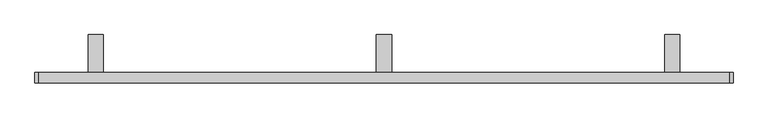
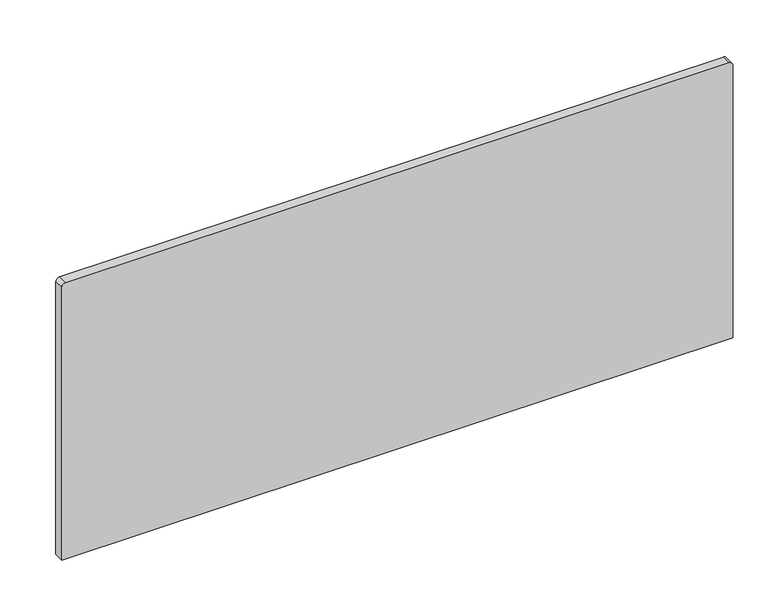
"""IFC4 building model written with IfcOpenShell, lengths in millimetres: furniture geometry."""

from ifc_helpers import new_model, si_unit, point, frame, frame_2d, origin, place, context, project, spatial, polyline, circle_curve, trimmed, segment, composite_curve, outline, extrude, source, transform, mapped, element, save


def furniture_59e62de1(model_context):
    return source(origin(), model_context, "Body", "SweptSolid", [
        extrude(outline(polyline([(11.1125, 706.4375), (90.4875, 706.4375), (90.4875, 700.0875), (17.4625, 700.0875), (17.4625, 654.05), (11.1125, 654.05), (11.1125, 706.4375)])), frame((-48.5395436, 0.0, 0.0), z_axis=(1.0, 0.0, 0.0), x_axis=(0.0, 1.0, 0.0)), (0.0, 0.0, 1.0), 31.75),
        extrude(outline(polyline([(11.1125, 706.4375), (90.4875, 706.4375), (90.4875, 700.0875), (17.4625, 700.0875), (17.4625, 654.05), (11.1125, 654.05), (11.1125, 706.4375)])), frame((-651.7895436, 0.0, 0.0), z_axis=(1.0, 0.0, 0.0), x_axis=(0.0, 1.0, 0.0)), (0.0, 0.0, 1.0), 31.75),
        extrude(outline(polyline([(11.1125, 706.4375), (90.4875, 706.4375), (90.4875, 700.0875), (17.4625, 700.0875), (17.4625, 654.05), (11.1125, 654.05), (11.1125, 706.4375)])), frame((554.7104564, 0.0, 0.0), z_axis=(1.0, 0.0, 0.0), x_axis=(0.0, 1.0, 0.0)), (0.0, 0.0, 1.0), 31.75),
        extrude(outline(composite_curve([segment(polyline([(1258.8875, 689.6479564), (1258.8875, -754.9770436)]), True, "CONTINUOUS"), segment(trimmed(circle_curve(frame_2d((1250.95, -754.9770436)), 7.9375), [point((1258.8875, -754.9770436))], [point((1250.95, -762.9145436))], False, "CARTESIAN"), True, "CONTINUOUS"), segment(polyline([(1250.95, -762.9145436), (623.8875, -762.9145436), (623.8875, 697.5854564), (1250.95, 697.5854564)]), True, "CONTINUOUS"), segment(trimmed(circle_curve(frame_2d((1250.95, 689.6479564)), 7.9375), [point((1250.95, 697.5854564))], [point((1258.8875, 689.6479564))], False, "CARTESIAN"), True, "CONTINUOUS")], self_intersect=False)), frame((0.0, -11.1125, 0.0), z_axis=(0.0, 1.0, 0.0), x_axis=(0.0, 0.0, 1.0)), (0.0, 0.0, 1.0), 22.225),
    ])


if __name__ == "__main__":
    model = new_model("IFC4")
    model_context = context("Model", 3, world=origin())
    ifc_project = project(units=[si_unit("LENGTHUNIT", "METRE", prefix="MILLI")], contexts=[model_context])
    site = spatial("IfcSite", under=ifc_project)
    building = spatial("IfcBuilding", under=site)
    placement = place(None, origin())
    furniture_shape = furniture_59e62de1(model_context)
    element("IfcFurniture", 1, at=placement, inside=building, context=model_context, shape_type="MappedRepresentation", body=[
        mapped(furniture_shape, transform((0.0, 0.0, 0.0), x_axis=(1.0, 0.0, 0.0), y_axis=(0.0, 1.0, 0.0), z_axis=(0.0, 0.0, 1.0))),
    ])
    save(model, "model.ifc")
